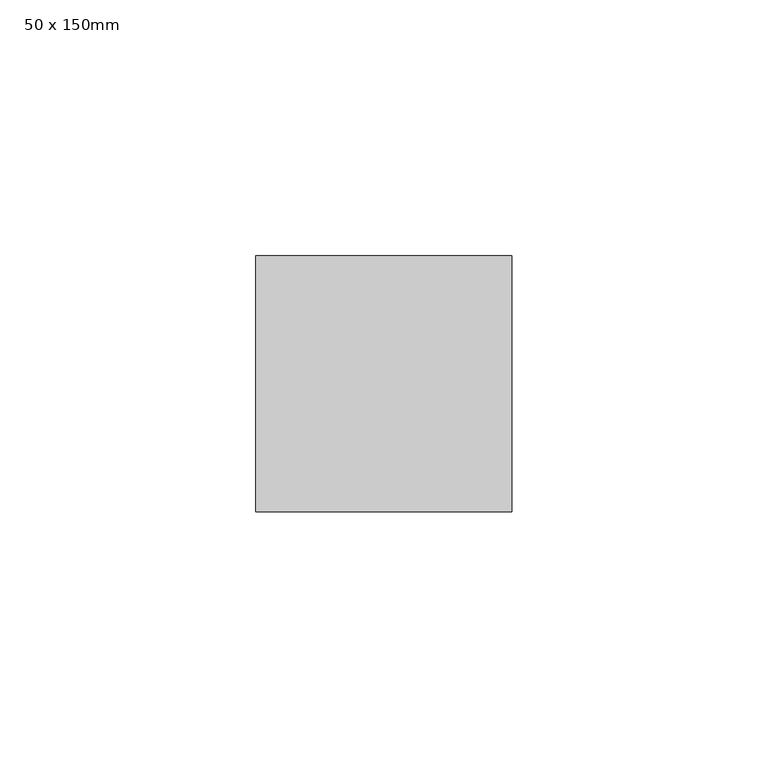
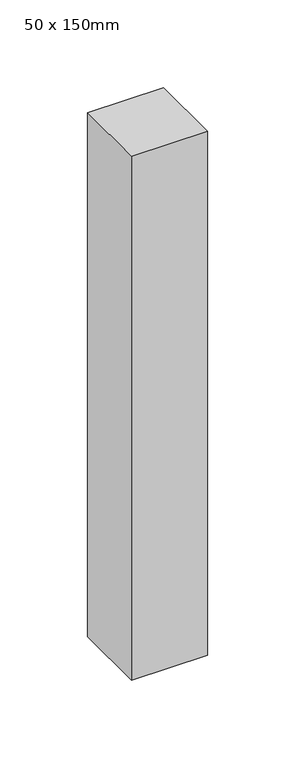
"""IFC4 building model written with IfcOpenShell, lengths in millimetres: member geometry, 50 x 150mm."""

import ifcopenshell
import ifcopenshell.guid

model = None  # the IFC model being written
_history = None  # IfcOwnerHistory: only IFC2X3 demands one
_inside = {}  # id of a spatial element -> (the spatial element, [elements in it])
_under = {}  # id of a project, library or spatial element -> (it, [spatial elements below it])
_declared = {}  # id of a project -> (the project, [libraries it declares])
_typed = {}  # id of a type object -> (the type object, [elements of that type])
_made_of = {}  # id of a material, layer set ... -> (it, [elements and type objects made of it])


def new_model(schema):
    """Start an empty IFC model of exactly this schema.

    Asked for "IFC4X3", IfcOpenShell would pick the latest addendum, in which some entities
    have other attributes; the version numbers below select the first issue.
    IFC2X3 requires an IfcOwnerHistory on every rooted entity: one is made here for all.
    """
    global model, _history
    if schema == "IFC4X3":
        model = ifcopenshell.file(schema_version=(4, 3, 0, 0))
    else:
        model = ifcopenshell.file(schema=schema)
    _inside.clear()
    _under.clear()
    _declared.clear()
    _typed.clear()
    _made_of.clear()
    _history = None
    if model.schema == "IFC2X3":
        org = make("IfcOrganization", Name="unknown")
        user = make(
            "IfcPersonAndOrganization",
            ThePerson=make("IfcPerson", FamilyName="unknown"),
            TheOrganization=org,
        )
        app = make(
            "IfcApplication",
            ApplicationDeveloper=org,
            Version="unknown",
            ApplicationFullName="unknown",
            ApplicationIdentifier="unknown",
        )
        _history = make(
            "IfcOwnerHistory",
            OwningUser=user,
            OwningApplication=app,
            ChangeAction="ADDED",
            CreationDate=0,
        )
    return model


def make(cls, **values):
    """One entity of the class cls with the attributes given. An attribute that is None is left unset."""
    return model.create_entity(
        cls, **{name: value for name, value in values.items() if value is not None}
    )


def rooted(cls, **values):
    """An entity with a GlobalId (a new one), such as an element, a storey or a relation."""
    return make(cls, GlobalId=ifcopenshell.guid.new(), OwnerHistory=_history, **values)


def si_unit(unit_type, name, prefix=None):
    """IfcSIUnit, for example si_unit("LENGTHUNIT", "METRE", prefix="MILLI")."""
    return make("IfcSIUnit", UnitType=unit_type, Prefix=prefix, Name=name)


def assignment(units):
    """IfcUnitAssignment: the units of a project."""
    return None if units is None else make("IfcUnitAssignment", Units=units)


def point(xyz):
    """IfcCartesianPoint."""
    return None if xyz is None else make("IfcCartesianPoint", Coordinates=xyz)


def direction(xyz):
    """IfcDirection."""
    return None if xyz is None else make("IfcDirection", DirectionRatios=xyz)


def frame(location, z_axis=None, x_axis=None):
    """IfcAxis2Placement3D, a coordinate frame: its origin and axes. An axis left out is left unset."""
    return make(
        "IfcAxis2Placement3D",
        Location=point(location),
        Axis=direction(z_axis),
        RefDirection=direction(x_axis),
    )


def origin():
    """The frame at (0, 0, 0) with its axes left unset."""
    return frame((0.0, 0.0, 0.0))


def place(relative_to, where):
    """IfcLocalPlacement: puts the frame where relative to a parent placement (None: the world)."""
    return make(
        "IfcLocalPlacement", PlacementRelTo=relative_to, RelativePlacement=where
    )


def context(
    kind, dimensions, precision=None, world=None, true_north=None, identifier=None
):
    """IfcGeometricRepresentationContext, for example the 3D "Model" context."""
    return make(
        "IfcGeometricRepresentationContext",
        ContextIdentifier=identifier,
        ContextType=kind,
        CoordinateSpaceDimension=dimensions,
        Precision=precision,
        WorldCoordinateSystem=world,
        TrueNorth=true_north,
    )


def project(units=None, contexts=None):
    """IfcProject with its units and contexts."""
    return rooted(
        "IfcProject",
        Name="project",
        RepresentationContexts=contexts,
        UnitsInContext=assignment(units),
    )


def spatial(cls, under=None, at=None, **own):
    """A site, building, storey or space (cls), placed at a placement, below another one or the project."""
    s = rooted(cls, ObjectPlacement=at, **own)
    if under is not None:
        _under.setdefault(under.id(), (under, []))[1].append(s)
    return s


def polyline(points):
    """IfcPolyline through the points."""
    return make("IfcPolyline", Points=[point(p) for p in points])


def outline(outer, holes=None, kind="AREA"):
    """IfcArbitraryClosedProfileDef: a profile drawn as a closed curve; with holes, ...WithVoids."""
    if holes is None:
        return make("IfcArbitraryClosedProfileDef", ProfileType=kind, OuterCurve=outer)
    return make(
        "IfcArbitraryProfileDefWithVoids",
        ProfileType=kind,
        OuterCurve=outer,
        InnerCurves=holes,
    )


def extrude(swept, where, along, depth):
    """IfcExtrudedAreaSolid: the profile swept, set in the frame where, extruded along a direction by depth."""
    return make(
        "IfcExtrudedAreaSolid",
        SweptArea=swept,
        Position=where,
        ExtrudedDirection=direction(along),
        Depth=depth,
    )


def shape(context_of_items, identifier, shape_type, items):
    """IfcShapeRepresentation: the items that make up one representation, for example the "Body"."""
    return make(
        "IfcShapeRepresentation",
        ContextOfItems=context_of_items,
        RepresentationIdentifier=identifier,
        RepresentationType=shape_type,
        Items=items,
    )


def source(mapping_origin, context_of_items, identifier, shape_type, items):
    """IfcRepresentationMap: a shape defined once, which mapped items show again and again."""
    return make(
        "IfcRepresentationMap",
        MappingOrigin=mapping_origin,
        MappedRepresentation=shape(context_of_items, identifier, shape_type, items),
    )


def transform(
    local_origin,
    x_axis=None,
    y_axis=None,
    z_axis=None,
    scale=None,
    scale2=None,
    scale3=None,
    uniform=True,
):
    """IfcCartesianTransformationOperator3D, or its non-uniform kind. x_axis, y_axis, z_axis: its Axis1, 2, 3."""
    if uniform:
        return make(
            "IfcCartesianTransformationOperator3D",
            Axis1=direction(x_axis),
            Axis2=direction(y_axis),
            LocalOrigin=point(local_origin),
            Scale=scale,
            Axis3=direction(z_axis),
        )
    return make(
        "IfcCartesianTransformationOperator3DnonUniform",
        Axis1=direction(x_axis),
        Axis2=direction(y_axis),
        LocalOrigin=point(local_origin),
        Scale=scale,
        Axis3=direction(z_axis),
        Scale2=scale2,
        Scale3=scale3,
    )


def mapped(mapping_source, mapping_target):
    """IfcMappedItem: shows the shape of a source again, moved by a transform."""
    return make(
        "IfcMappedItem", MappingSource=mapping_source, MappingTarget=mapping_target
    )


def made_of(thing, what):
    """Note that an element or type object is made of a material, layer set ...; save() writes the relation."""
    if what is not None:
        _made_of.setdefault(what.id(), (what, []))[1].append(thing)
    return thing


def element(
    cls,
    number,
    at=None,
    inside=None,
    cuts=None,
    type_object=None,
    material=None,
    context=None,
    identifier="Body",
    shape_type=None,
    held_by="IfcProductDefinitionShape",
    body=None,
    shapes=None,
    **own,
):
    """One element of the class cls, such as IfcWall. Its Tag is "e" and its number.

    at: its placement. inside: the storey or other place that contains it. cuts: it is an
    opening in that element (IfcRelVoidsElement). A single representation is given by context,
    identifier, shape_type and body (its items); several are given by shapes. held_by: the class
    of the entity that holds the representations. save() writes the other relations.
    """
    e = rooted(cls, Tag="e%d" % number, ObjectPlacement=at, **own)
    if body is not None:
        shapes = [shape(context, identifier, shape_type, body)]
    if shapes is not None:
        e.Representation = make(held_by, Representations=shapes)
    if inside is not None:
        _inside.setdefault(inside.id(), (inside, []))[1].append(e)
    if cuts is not None:
        rooted(
            "IfcRelVoidsElement", RelatingBuildingElement=cuts, RelatedOpeningElement=e
        )
    if type_object is not None:
        _typed.setdefault(type_object.id(), (type_object, []))[1].append(e)
    return made_of(e, material)


def aggregate(whole, parts):
    """IfcRelAggregates: a whole, such as a stair, and the parts it consists of."""
    return rooted("IfcRelAggregates", RelatingObject=whole, RelatedObjects=parts)


def save(model, path):
    """Write the relations noted so far, then the file.

    IfcRelAggregates (storeys below a building ...), IfcRelContainedInSpatialStructure (elements
    in a storey), IfcRelDefinesByType, IfcRelAssociatesMaterial and IfcRelDeclares: one each for
    every whole, place, type object, material and project.
    """
    for whole, parts in _under.values():
        aggregate(whole, parts)
    for where, things in _inside.values():
        rooted(
            "IfcRelContainedInSpatialStructure",
            RelatedElements=things,
            RelatingStructure=where,
        )
    for kind, things in _typed.values():
        rooted("IfcRelDefinesByType", RelatedObjects=things, RelatingType=kind)
    for what, things in _made_of.values():
        rooted("IfcRelAssociatesMaterial", RelatedObjects=things, RelatingMaterial=what)
    for by, libraries in _declared.values():
        rooted("IfcRelDeclares", RelatingContext=by, RelatedDefinitions=libraries)
    model.write(path)


def member_50_x_150mm_27687235(model_context):
    return source(origin(), model_context, "Body", "SweptSolid", [
        extrude(outline(polyline([(25.0, 25.0), (25.0, -25.0), (-25.0, -25.0), (-25.0, 25.0), (25.0, 25.0)])), frame((0.0, 0.0, -364.4932197), z_axis=(0.0, 0.0, 1.0), x_axis=(1.0, 0.0, 0.0)), (0.0, 0.0, 1.0), 364.4932197),
    ])


if __name__ == "__main__":
    model = new_model("IFC4")
    model_context = context("Model", 3, world=origin())
    ifc_project = project(units=[si_unit("LENGTHUNIT", "METRE", prefix="MILLI")], contexts=[model_context])
    site = spatial("IfcSite", under=ifc_project)
    building = spatial("IfcBuilding", under=site)
    placement = place(None, origin())
    member_50_x_150mm_shape = member_50_x_150mm_27687235(model_context)
    element("IfcMember", 1, ObjectType="50 x 150mm", at=placement, inside=building, context=model_context, shape_type="MappedRepresentation", body=[
        mapped(member_50_x_150mm_shape, transform((0.0, 0.0, 0.0), x_axis=(1.0, 0.0, 0.0), y_axis=(0.0, 1.0, 0.0), z_axis=(0.0, 0.0, 1.0))),
    ])
    save(model, "model.ifc")
